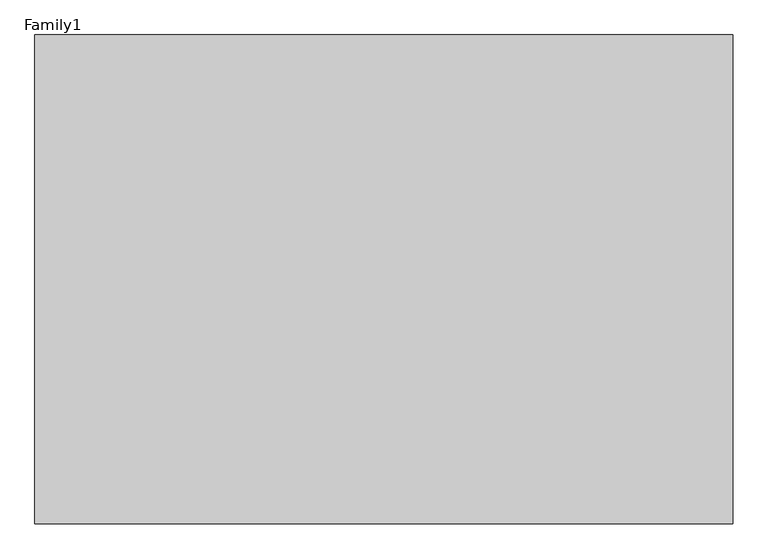
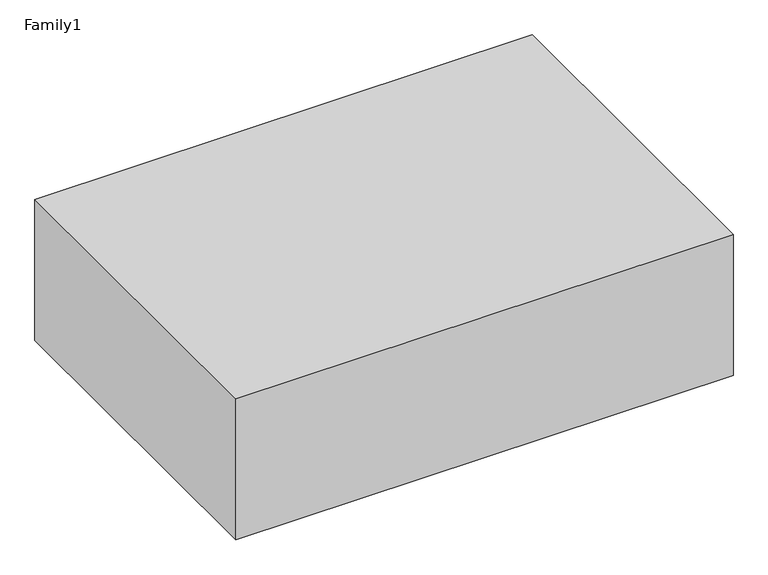
"""IFC4 building model written with IfcOpenShell, lengths in millimetres: proxy geometry, Family1."""

from ifc_helpers import new_model, si_unit, frame, origin, place, context, project, spatial, polyline, outline, extrude, source, transform, mapped, element, save


def family1_d8620ccb(model_context):
    return source(origin(), model_context, "Body", "SweptSolid", [
        extrude(outline(polyline([(1000.0, 0.0), (0.0, 0.0), (0.0, 700.0), (1000.0, 700.0), (1000.0, 0.0)])), frame((0.0, 0.0, 29500.0), z_axis=(0.0, 0.0, 1.0), x_axis=(1.0, 0.0, 0.0)), (0.0, 0.0, 1.0), 300.0),
    ])


if __name__ == "__main__":
    model = new_model("IFC4")
    model_context = context("Model", 3, world=origin())
    ifc_project = project(units=[si_unit("LENGTHUNIT", "METRE", prefix="MILLI")], contexts=[model_context])
    site = spatial("IfcSite", under=ifc_project)
    building = spatial("IfcBuilding", under=site)
    placement = place(None, origin())
    family1_shape = family1_d8620ccb(model_context)
    element("IfcBuildingElementProxy", 1, Name="Family1", ObjectType="Family1", at=placement, inside=building, context=model_context, shape_type="MappedRepresentation", body=[
        mapped(family1_shape, transform((0.0, 0.0, 0.0), x_axis=(1.0, 0.0, 0.0), y_axis=(0.0, 1.0, 0.0), z_axis=(0.0, 0.0, 1.0))),
    ])
    save(model, "model.ifc")
